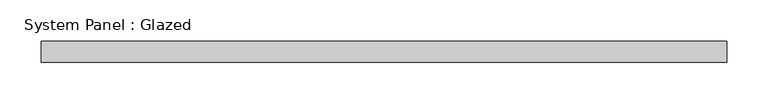
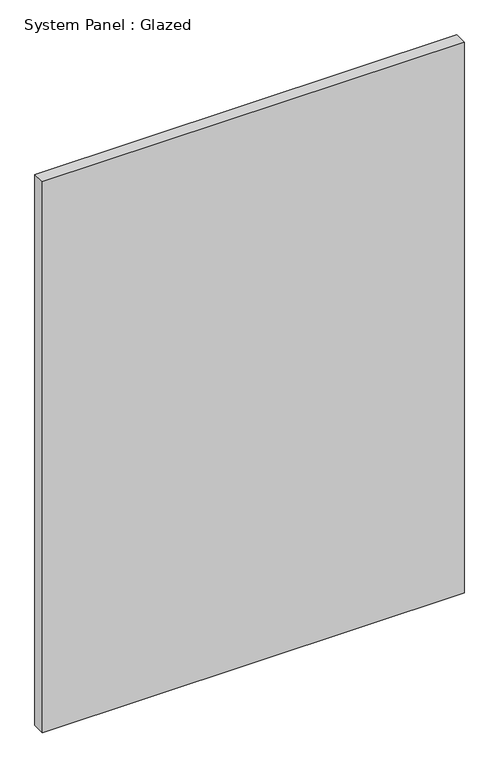
"""IFC4 building model written with IfcOpenShell, lengths in millimetres: plate geometry, System Panel : Glazed."""

import ifcopenshell
import ifcopenshell.guid

model = None  # the IFC model being written
_history = None  # IfcOwnerHistory: only IFC2X3 demands one
_inside = {}  # id of a spatial element -> (the spatial element, [elements in it])
_under = {}  # id of a project, library or spatial element -> (it, [spatial elements below it])
_declared = {}  # id of a project -> (the project, [libraries it declares])
_typed = {}  # id of a type object -> (the type object, [elements of that type])
_made_of = {}  # id of a material, layer set ... -> (it, [elements and type objects made of it])


def new_model(schema):
    """Start an empty IFC model of exactly this schema.

    Asked for "IFC4X3", IfcOpenShell would pick the latest addendum, in which some entities
    have other attributes; the version numbers below select the first issue.
    IFC2X3 requires an IfcOwnerHistory on every rooted entity: one is made here for all.
    """
    global model, _history
    if schema == "IFC4X3":
        model = ifcopenshell.file(schema_version=(4, 3, 0, 0))
    else:
        model = ifcopenshell.file(schema=schema)
    _inside.clear()
    _under.clear()
    _declared.clear()
    _typed.clear()
    _made_of.clear()
    _history = None
    if model.schema == "IFC2X3":
        org = make("IfcOrganization", Name="unknown")
        user = make(
            "IfcPersonAndOrganization",
            ThePerson=make("IfcPerson", FamilyName="unknown"),
            TheOrganization=org,
        )
        app = make(
            "IfcApplication",
            ApplicationDeveloper=org,
            Version="unknown",
            ApplicationFullName="unknown",
            ApplicationIdentifier="unknown",
        )
        _history = make(
            "IfcOwnerHistory",
            OwningUser=user,
            OwningApplication=app,
            ChangeAction="ADDED",
            CreationDate=0,
        )
    return model


def make(cls, **values):
    """One entity of the class cls with the attributes given. An attribute that is None is left unset."""
    return model.create_entity(
        cls, **{name: value for name, value in values.items() if value is not None}
    )


def rooted(cls, **values):
    """An entity with a GlobalId (a new one), such as an element, a storey or a relation."""
    return make(cls, GlobalId=ifcopenshell.guid.new(), OwnerHistory=_history, **values)


def si_unit(unit_type, name, prefix=None):
    """IfcSIUnit, for example si_unit("LENGTHUNIT", "METRE", prefix="MILLI")."""
    return make("IfcSIUnit", UnitType=unit_type, Prefix=prefix, Name=name)


def assignment(units):
    """IfcUnitAssignment: the units of a project."""
    return None if units is None else make("IfcUnitAssignment", Units=units)


def point(xyz):
    """IfcCartesianPoint."""
    return None if xyz is None else make("IfcCartesianPoint", Coordinates=xyz)


def direction(xyz):
    """IfcDirection."""
    return None if xyz is None else make("IfcDirection", DirectionRatios=xyz)


def frame(location, z_axis=None, x_axis=None):
    """IfcAxis2Placement3D, a coordinate frame: its origin and axes. An axis left out is left unset."""
    return make(
        "IfcAxis2Placement3D",
        Location=point(location),
        Axis=direction(z_axis),
        RefDirection=direction(x_axis),
    )


def origin():
    """The frame at (0, 0, 0) with its axes left unset."""
    return frame((0.0, 0.0, 0.0))


def origin_with_axes():
    """The frame at (0, 0, 0) with the z axis (0, 0, 1) and the x axis (1, 0, 0) written out."""
    return frame((0.0, 0.0, 0.0), z_axis=(0.0, 0.0, 1.0), x_axis=(1.0, 0.0, 0.0))


def place(relative_to, where):
    """IfcLocalPlacement: puts the frame where relative to a parent placement (None: the world)."""
    return make(
        "IfcLocalPlacement", PlacementRelTo=relative_to, RelativePlacement=where
    )


def context(
    kind, dimensions, precision=None, world=None, true_north=None, identifier=None
):
    """IfcGeometricRepresentationContext, for example the 3D "Model" context."""
    return make(
        "IfcGeometricRepresentationContext",
        ContextIdentifier=identifier,
        ContextType=kind,
        CoordinateSpaceDimension=dimensions,
        Precision=precision,
        WorldCoordinateSystem=world,
        TrueNorth=true_north,
    )


def project(units=None, contexts=None):
    """IfcProject with its units and contexts."""
    return rooted(
        "IfcProject",
        Name="project",
        RepresentationContexts=contexts,
        UnitsInContext=assignment(units),
    )


def spatial(cls, under=None, at=None, **own):
    """A site, building, storey or space (cls), placed at a placement, below another one or the project."""
    s = rooted(cls, ObjectPlacement=at, **own)
    if under is not None:
        _under.setdefault(under.id(), (under, []))[1].append(s)
    return s


def polyline(points):
    """IfcPolyline through the points."""
    return make("IfcPolyline", Points=[point(p) for p in points])


def outline(outer, holes=None, kind="AREA"):
    """IfcArbitraryClosedProfileDef: a profile drawn as a closed curve; with holes, ...WithVoids."""
    if holes is None:
        return make("IfcArbitraryClosedProfileDef", ProfileType=kind, OuterCurve=outer)
    return make(
        "IfcArbitraryProfileDefWithVoids",
        ProfileType=kind,
        OuterCurve=outer,
        InnerCurves=holes,
    )


def extrude(swept, where, along, depth):
    """IfcExtrudedAreaSolid: the profile swept, set in the frame where, extruded along a direction by depth."""
    return make(
        "IfcExtrudedAreaSolid",
        SweptArea=swept,
        Position=where,
        ExtrudedDirection=direction(along),
        Depth=depth,
    )


def shape(context_of_items, identifier, shape_type, items):
    """IfcShapeRepresentation: the items that make up one representation, for example the "Body"."""
    return make(
        "IfcShapeRepresentation",
        ContextOfItems=context_of_items,
        RepresentationIdentifier=identifier,
        RepresentationType=shape_type,
        Items=items,
    )


def source(mapping_origin, context_of_items, identifier, shape_type, items):
    """IfcRepresentationMap: a shape defined once, which mapped items show again and again."""
    return make(
        "IfcRepresentationMap",
        MappingOrigin=mapping_origin,
        MappedRepresentation=shape(context_of_items, identifier, shape_type, items),
    )


def transform(
    local_origin,
    x_axis=None,
    y_axis=None,
    z_axis=None,
    scale=None,
    scale2=None,
    scale3=None,
    uniform=True,
):
    """IfcCartesianTransformationOperator3D, or its non-uniform kind. x_axis, y_axis, z_axis: its Axis1, 2, 3."""
    if uniform:
        return make(
            "IfcCartesianTransformationOperator3D",
            Axis1=direction(x_axis),
            Axis2=direction(y_axis),
            LocalOrigin=point(local_origin),
            Scale=scale,
            Axis3=direction(z_axis),
        )
    return make(
        "IfcCartesianTransformationOperator3DnonUniform",
        Axis1=direction(x_axis),
        Axis2=direction(y_axis),
        LocalOrigin=point(local_origin),
        Scale=scale,
        Axis3=direction(z_axis),
        Scale2=scale2,
        Scale3=scale3,
    )


def mapped(mapping_source, mapping_target):
    """IfcMappedItem: shows the shape of a source again, moved by a transform."""
    return make(
        "IfcMappedItem", MappingSource=mapping_source, MappingTarget=mapping_target
    )


def made_of(thing, what):
    """Note that an element or type object is made of a material, layer set ...; save() writes the relation."""
    if what is not None:
        _made_of.setdefault(what.id(), (what, []))[1].append(thing)
    return thing


def element(
    cls,
    number,
    at=None,
    inside=None,
    cuts=None,
    type_object=None,
    material=None,
    context=None,
    identifier="Body",
    shape_type=None,
    held_by="IfcProductDefinitionShape",
    body=None,
    shapes=None,
    **own,
):
    """One element of the class cls, such as IfcWall. Its Tag is "e" and its number.

    at: its placement. inside: the storey or other place that contains it. cuts: it is an
    opening in that element (IfcRelVoidsElement). A single representation is given by context,
    identifier, shape_type and body (its items); several are given by shapes. held_by: the class
    of the entity that holds the representations. save() writes the other relations.
    """
    e = rooted(cls, Tag="e%d" % number, ObjectPlacement=at, **own)
    if body is not None:
        shapes = [shape(context, identifier, shape_type, body)]
    if shapes is not None:
        e.Representation = make(held_by, Representations=shapes)
    if inside is not None:
        _inside.setdefault(inside.id(), (inside, []))[1].append(e)
    if cuts is not None:
        rooted(
            "IfcRelVoidsElement", RelatingBuildingElement=cuts, RelatedOpeningElement=e
        )
    if type_object is not None:
        _typed.setdefault(type_object.id(), (type_object, []))[1].append(e)
    return made_of(e, material)


def aggregate(whole, parts):
    """IfcRelAggregates: a whole, such as a stair, and the parts it consists of."""
    return rooted("IfcRelAggregates", RelatingObject=whole, RelatedObjects=parts)


def save(model, path):
    """Write the relations noted so far, then the file.

    IfcRelAggregates (storeys below a building ...), IfcRelContainedInSpatialStructure (elements
    in a storey), IfcRelDefinesByType, IfcRelAssociatesMaterial and IfcRelDeclares: one each for
    every whole, place, type object, material and project.
    """
    for whole, parts in _under.values():
        aggregate(whole, parts)
    for where, things in _inside.values():
        rooted(
            "IfcRelContainedInSpatialStructure",
            RelatedElements=things,
            RelatingStructure=where,
        )
    for kind, things in _typed.values():
        rooted("IfcRelDefinesByType", RelatedObjects=things, RelatingType=kind)
    for what, things in _made_of.values():
        rooted("IfcRelAssociatesMaterial", RelatedObjects=things, RelatingMaterial=what)
    for by, libraries in _declared.values():
        rooted("IfcRelDeclares", RelatingContext=by, RelatedDefinitions=libraries)
    model.write(path)


def system_panel_glazed_d0efff6f(model_context):
    return source(origin(), model_context, "Body", "SweptSolid", [
        extrude(outline(polyline([(415.925, -12.7), (-415.925, -12.7), (-415.925, 12.7), (415.925, 12.7), (415.925, -12.7)])), origin_with_axes(), (0.0, 0.0, 1.0), 1149.35),
    ])


if __name__ == "__main__":
    model = new_model("IFC4")
    model_context = context("Model", 3, world=origin())
    ifc_project = project(units=[si_unit("LENGTHUNIT", "METRE", prefix="MILLI")], contexts=[model_context])
    site = spatial("IfcSite", under=ifc_project)
    building = spatial("IfcBuilding", under=site)
    placement = place(None, origin())
    system_panel_glazed_shape = system_panel_glazed_d0efff6f(model_context)
    element("IfcPlate", 1, ObjectType="System Panel : Glazed", at=placement, inside=building, context=model_context, shape_type="MappedRepresentation", body=[
        mapped(system_panel_glazed_shape, transform((0.0, 0.0, 0.0), x_axis=(1.0, 0.0, 0.0), y_axis=(0.0, 1.0, 0.0), z_axis=(0.0, 0.0, 1.0))),
    ])
    save(model, "model.ifc")
